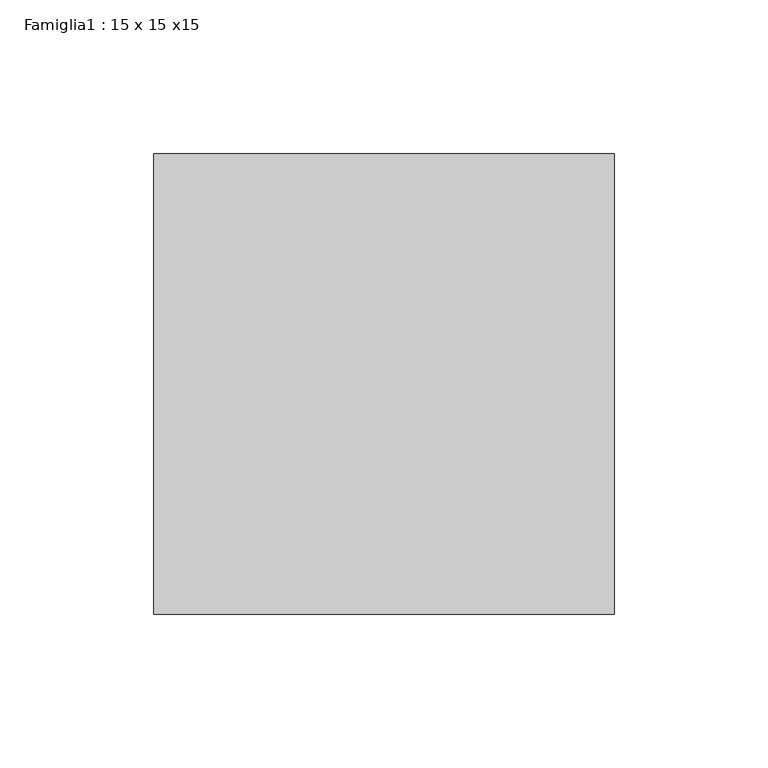
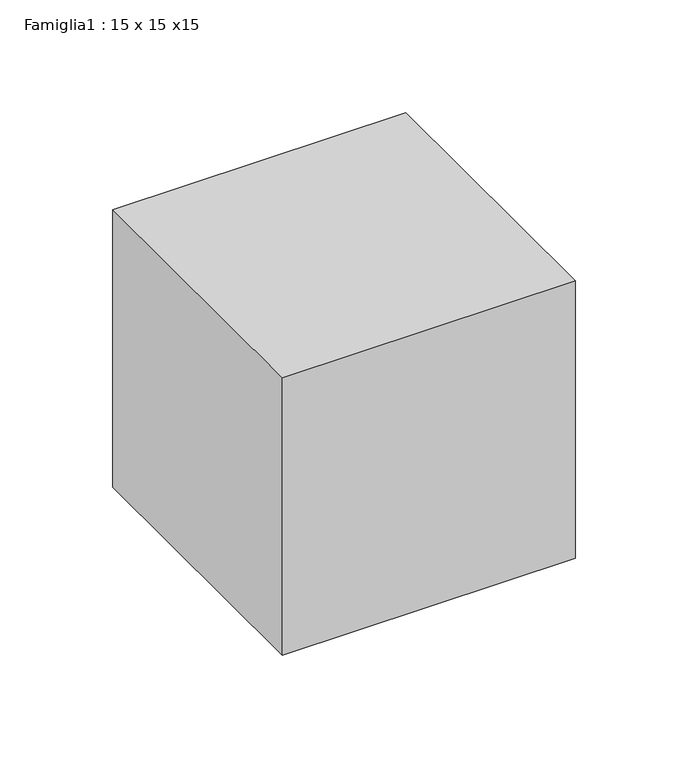
"""IFC4 building model written with IfcOpenShell, lengths in millimetres: proxy geometry, Famiglia1 : 15 x 15 x15."""

from ifc_helpers import new_model, si_unit, origin, origin_with_axes, place, context, project, spatial, polyline, outline, extrude, source, transform, mapped, element, save


def famiglia1_15_x_15_x15_7b146f4c(model_context):
    return source(origin(), model_context, "Body", "SweptSolid", [
        extrude(outline(polyline([(0.0, 0.0), (150.0, 0.0), (150.0, -150.0), (0.0, -150.0), (0.0, 0.0)])), origin_with_axes(), (0.0, 0.0, 1.0), 150.0),
    ])


if __name__ == "__main__":
    model = new_model("IFC4")
    model_context = context("Model", 3, world=origin())
    ifc_project = project(units=[si_unit("LENGTHUNIT", "METRE", prefix="MILLI")], contexts=[model_context])
    site = spatial("IfcSite", under=ifc_project)
    building = spatial("IfcBuilding", under=site)
    placement = place(None, origin())
    famiglia1_15_x_15_x15_shape = famiglia1_15_x_15_x15_7b146f4c(model_context)
    element("IfcBuildingElementProxy", 1, Name="Famiglia1 : 15 x 15 x15", ObjectType="Famiglia1 : 15 x 15 x15", at=placement, inside=building, context=model_context, shape_type="MappedRepresentation", body=[
        mapped(famiglia1_15_x_15_x15_shape, transform((0.0, 0.0, 0.0), x_axis=(1.0, 0.0, 0.0), y_axis=(0.0, 1.0, 0.0), z_axis=(0.0, 0.0, 1.0))),
    ])
    save(model, "model.ifc")
